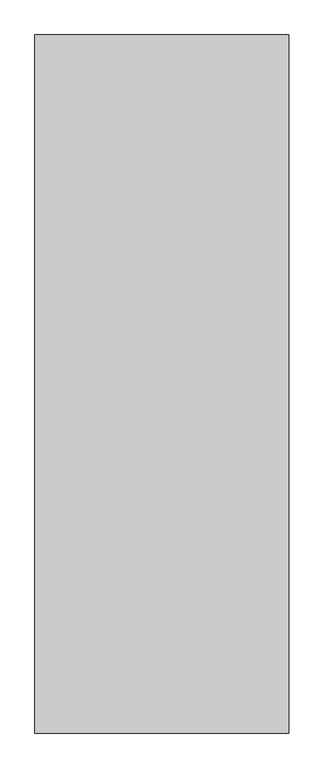
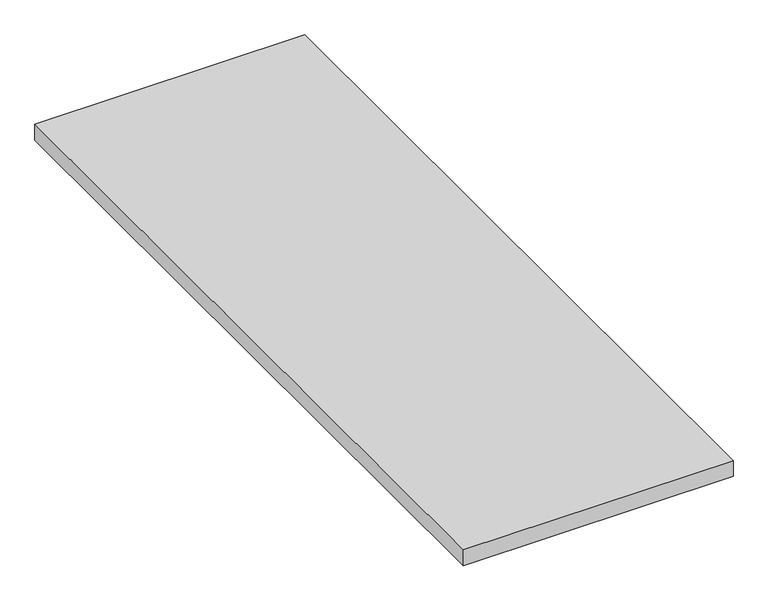
"""IFC4 building model written with IfcOpenShell, lengths in millimetres: proxy geometry."""

from ifc_helpers import new_model, si_unit, frame, origin, place, context, project, spatial, polyline, outline, extrude, source, transform, mapped, element, save


def generic_models_abe4f6b0(model_context):
    return source(origin(), model_context, "Body", "SweptSolid", [
        extrude(outline(polyline([(863.0, 69.0), (27.5, 69.0), (27.5, 2367.4), (863.0, 2367.4), (863.0, 69.0)])), frame((0.0, 0.0, -68.0), z_axis=(0.0, 0.0, 1.0), x_axis=(1.0, 0.0, 0.0)), (0.0, 0.0, 1.0), 52.0),
    ])


if __name__ == "__main__":
    model = new_model("IFC4")
    model_context = context("Model", 3, world=origin())
    ifc_project = project(units=[si_unit("LENGTHUNIT", "METRE", prefix="MILLI")], contexts=[model_context])
    site = spatial("IfcSite", under=ifc_project)
    building = spatial("IfcBuilding", under=site)
    placement = place(None, origin())
    generic_models_shape = generic_models_abe4f6b0(model_context)
    element("IfcBuildingElementProxy", 1, Name="Generic Models", at=placement, inside=building, context=model_context, shape_type="MappedRepresentation", body=[
        mapped(generic_models_shape, transform((0.0, 0.0, 0.0), x_axis=(1.0, 0.0, 0.0), y_axis=(0.0, 1.0, 0.0), z_axis=(0.0, 0.0, 1.0))),
    ])
    save(model, "model.ifc")
